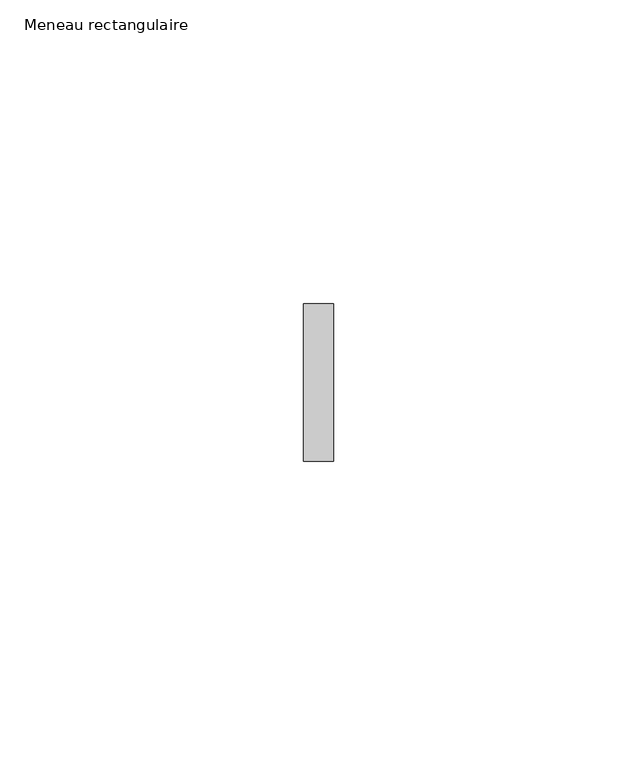
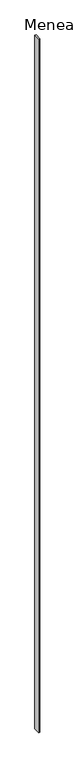
"""IFC4 building model written with IfcOpenShell, lengths in millimetres: member geometry, Meneau rectangulaire."""

from ifc_helpers import new_model, si_unit, frame, origin, place, context, project, spatial, polyline, outline, extrude, source, transform, mapped, element, save


def meneau_rectangulaire_bed474fe(model_context):
    return source(origin(), model_context, "Body", "SweptSolid", [
        extrude(outline(polyline([(-2.5, 13.0), (2.5, 13.0), (2.5, -13.0), (-2.5, -13.0), (-2.5, 13.0)])), frame((0.0, 0.0, -2885.0), z_axis=(0.0, 0.0, 1.0), x_axis=(1.0, 0.0, 0.0)), (0.0, 0.0, 1.0), 2885.0),
    ])


if __name__ == "__main__":
    model = new_model("IFC4")
    model_context = context("Model", 3, world=origin())
    ifc_project = project(units=[si_unit("LENGTHUNIT", "METRE", prefix="MILLI")], contexts=[model_context])
    site = spatial("IfcSite", under=ifc_project)
    building = spatial("IfcBuilding", under=site)
    placement = place(None, origin())
    meneau_rectangulaire_shape = meneau_rectangulaire_bed474fe(model_context)
    element("IfcMember", 1, ObjectType="Meneau rectangulaire", at=placement, inside=building, context=model_context, shape_type="MappedRepresentation", body=[
        mapped(meneau_rectangulaire_shape, transform((0.0, 0.0, 0.0), x_axis=(1.0, 0.0, 0.0), y_axis=(0.0, 1.0, 0.0), z_axis=(0.0, 0.0, 1.0))),
    ])
    save(model, "model.ifc")
